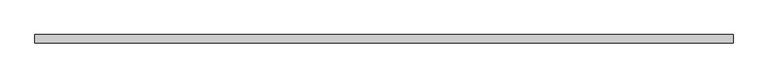
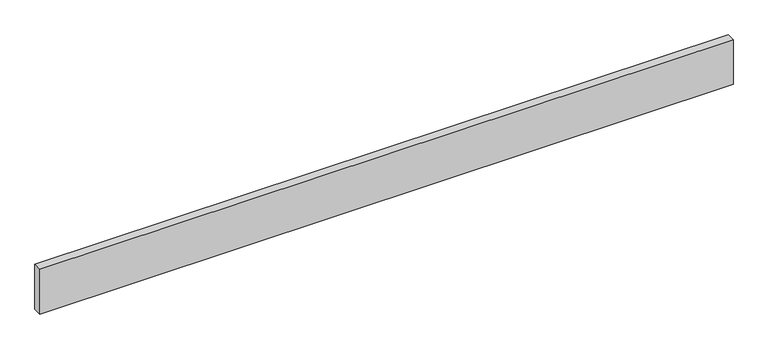
"""IFC4 building model written with IfcOpenShell, lengths in millimetres: beam geometry."""

from ifc_helpers import new_model, si_unit, frame, origin, place, context, project, spatial, polyline, outline, extrude, source, transform, mapped, element, save


def beam_eb5b6777(model_context):
    return source(origin(), model_context, "Body", "SweptSolid", [
        extrude(outline(polyline([(1469.0, -18.0), (-1469.0, -18.0), (-1469.0, 18.0), (1469.0, 18.0), (1469.0, -18.0)])), frame((0.0, 0.0, -100.0), z_axis=(0.0, 0.0, 1.0), x_axis=(1.0, 0.0, 0.0)), (0.0, 0.0, 1.0), 200.0),
    ])


if __name__ == "__main__":
    model = new_model("IFC4")
    model_context = context("Model", 3, world=origin())
    ifc_project = project(units=[si_unit("LENGTHUNIT", "METRE", prefix="MILLI")], contexts=[model_context])
    site = spatial("IfcSite", under=ifc_project)
    building = spatial("IfcBuilding", under=site)
    placement = place(None, origin())
    beam_shape = beam_eb5b6777(model_context)
    element("IfcBeam", 1, at=placement, inside=building, context=model_context, shape_type="MappedRepresentation", body=[
        mapped(beam_shape, transform((0.0, 0.0, 0.0), x_axis=(1.0, 0.0, 0.0), y_axis=(0.0, 1.0, 0.0), z_axis=(0.0, 0.0, 1.0))),
    ])
    save(model, "model.ifc")
